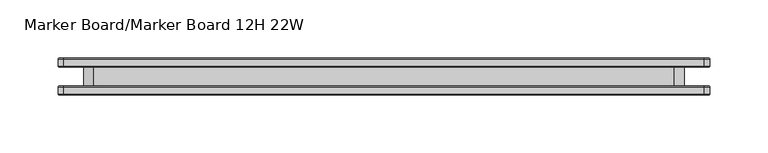
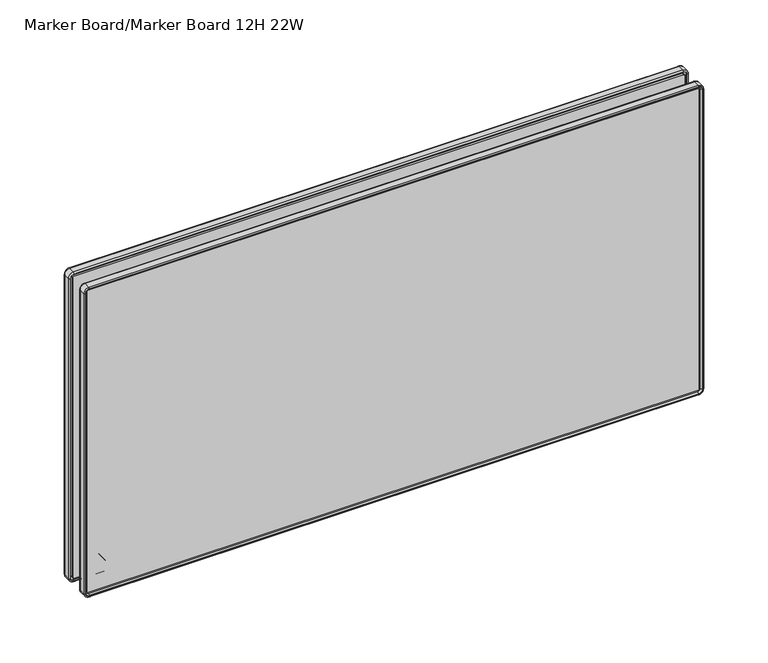
"""IFC4 building model written with IfcOpenShell, lengths in millimetres: furniture geometry, Marker Board/Marker Board 12H 22W."""

from ifc_helpers import new_model, si_unit, point, frame, frame_2d, origin, place, context, project, spatial, polyline, circle_curve, ellipse_curve, trimmed, segment, composite_curve, outline, extrude, source, transform, mapped, element, save
from ifc_brep_helpers import plane_surface, cylinder_surface, revolved_surface, advanced_brep


def marker_board_marker_board_12h_22w_8825d020(model_context):
    return source(origin(), model_context, "Body", "SolidModel", [
        extrude(outline(composite_curve([segment(trimmed(circle_curve(frame_2d((785.9258601, 60.6967824)), 14.2960031), [point((781.0834991, 47.2458625))], [point((772.4749402, 55.8544214))], False, "CARTESIAN"), True, "CONTINUOUS"), segment(polyline([(772.4749402, 55.8544214), (772.4749402, 553.7455786)]), True, "CONTINUOUS"), segment(trimmed(circle_curve(frame_2d((785.9258601, 548.9032176)), 14.2960031), [point((772.4749402, 553.7455786))], [point((780.5790258, 562.1616892))], False, "CARTESIAN"), True, "CONTINUOUS"), segment(polyline([(780.5790258, 562.1616892), (1019.5568063, 562.1616892)]), True, "CONTINUOUS"), segment(trimmed(circle_curve(frame_2d((1014.209972, 548.9032176)), 14.2960031), [point((1019.5568063, 562.1616892))], [point((1027.6608919, 553.7455786))], False, "CARTESIAN"), True, "CONTINUOUS"), segment(polyline([(1027.6608919, 553.7455786), (1027.6608919, 55.8544214)]), True, "CONTINUOUS"), segment(trimmed(circle_curve(frame_2d((1014.209972, 60.6967824)), 14.2960031), [point((1027.6608919, 55.8544214))], [point((1019.0523331, 47.2458625))], False, "CARTESIAN"), True, "CONTINUOUS"), segment(polyline([(1019.0523331, 47.2458625), (781.0834991, 47.2458625)]), True, "CONTINUOUS")], self_intersect=False)), frame((0.0, -7.9718968, 0.0), z_axis=(0.0, 1.0, 0.0), x_axis=(0.0, 0.0, 1.0)), (0.0, 0.0, 1.0), 15.9437935),
        extrude(outline(composite_curve([segment(trimmed(circle_curve(frame_2d((759.1475985, 29.8962491)), 0.8911416), [point((759.1475985, 29.0051075))], [point((758.256457, 29.8962491))], False, "CARTESIAN"), True, "CONTINUOUS"), segment(polyline([(758.256457, 29.8962491), (758.256457, 579.5091361)]), True, "CONTINUOUS"), segment(trimmed(circle_curve(frame_2d((759.1475985, 579.5091361)), 0.8911416), [point((758.256457, 579.5091361))], [point((759.1475985, 580.4002777))], False, "CARTESIAN"), True, "CONTINUOUS"), segment(polyline([(759.1475985, 580.4002777), (1045.010519, 580.4002777)]), True, "CONTINUOUS"), segment(trimmed(circle_curve(frame_2d((1045.010519, 579.5091361)), 0.8911416), [point((1045.010519, 580.4002777))], [point((1045.9016605, 579.5091361))], False, "CARTESIAN"), True, "CONTINUOUS"), segment(polyline([(1045.9016605, 579.5091361), (1045.9016605, 29.8962491)]), True, "CONTINUOUS"), segment(trimmed(circle_curve(frame_2d((1045.010519, 29.8962491)), 0.8911416), [point((1045.9016605, 29.8962491))], [point((1045.010519, 29.0051075))], False, "CARTESIAN"), True, "CONTINUOUS"), segment(polyline([(1045.010519, 29.0051075), (759.1475985, 29.0051075)]), True, "CONTINUOUS")], self_intersect=False)), frame((0.0, 7.9718968, 0.0), z_axis=(0.0, 1.0, 0.0), x_axis=(0.0, 0.0, 1.0)), (0.0, 0.0, 1.0), 6.1306313),
        extrude(outline(composite_curve([segment(polyline([(1045.010519, 29.0051075), (759.1475985, 29.0051075)]), True, "CONTINUOUS"), segment(trimmed(circle_curve(frame_2d((759.1475985, 29.8962491)), 0.8911416), [point((759.1475985, 29.0051075))], [point((758.256457, 29.8962491))], False, "CARTESIAN"), True, "CONTINUOUS"), segment(polyline([(758.256457, 29.8962491), (758.256457, 579.5091361)]), True, "CONTINUOUS"), segment(trimmed(circle_curve(frame_2d((759.1475985, 579.5091361)), 0.8911416), [point((758.256457, 579.5091361))], [point((759.1475985, 580.4002777))], False, "CARTESIAN"), True, "CONTINUOUS"), segment(polyline([(759.1475985, 580.4002777), (1045.010519, 580.4002777)]), True, "CONTINUOUS"), segment(trimmed(circle_curve(frame_2d((1045.010519, 579.5091361)), 0.8911416), [point((1045.010519, 580.4002777))], [point((1045.9016605, 579.5091361))], False, "CARTESIAN"), True, "CONTINUOUS"), segment(polyline([(1045.9016605, 579.5091361), (1045.9016605, 29.8962491)]), True, "CONTINUOUS"), segment(trimmed(circle_curve(frame_2d((1045.010519, 29.8962491)), 0.8911416), [point((1045.9016605, 29.8962491))], [point((1045.010519, 29.0051075))], False, "CARTESIAN"), True, "CONTINUOUS")], self_intersect=False)), frame((0.0, -14.102528, 0.0), z_axis=(0.0, 1.0, 0.0), x_axis=(0.0, 0.0, 1.0)), (0.0, 0.0, 1.0), 6.1306313),
        advanced_brep(
        [(582.9077917, -7.9718968, 759.1475985), (579.5091361, -7.9718968, 755.7489429), (579.5091361, -9.6721295, 755.7489429), (582.9077917, -9.6721295, 759.1475985), (584.0811361, -9.1452412, 759.1475985), (579.5091361, -9.1452412, 754.5755985), (584.0811361, -14.9826968, 759.1475985), (579.5091361, -14.9826968, 754.5755985), (583.2667038, -15.7971292, 759.1475985), (579.5091361, -15.7971292, 755.3900309), (580.4002777, -9.6721295, 759.1475985), (579.5091361, -9.6721295, 758.256457), (579.5091361, -14.102528, 758.256457), (580.4002777, -14.102528, 759.1475985), (582.9077917, -9.6721295, 1045.010519), (582.9077917, -7.9718968, 1045.010519), (584.0811361, -9.1452412, 1045.010519), (584.0811361, -14.9826968, 1045.010519), (583.2667038, -15.7971292, 1045.010519), (580.4002777, -14.102528, 1045.010519), (580.4002777, -9.6721295, 1045.010519), (579.5091361, -7.9718968, 1048.4091746), (579.5091361, -9.6721295, 1048.4091746), (579.5091361, -9.1452412, 1049.582519), (579.5091361, -14.9826968, 1049.582519), (579.5091361, -15.7971292, 1048.7680866), (579.5091361, -9.6721295, 1045.9016605), (579.5091361, -14.102528, 1045.9016605), (29.8962491, -9.6721295, 1048.4091746), (29.8962491, -7.9718968, 1048.4091746), (29.8962491, -9.1452412, 1049.582519), (29.8962491, -14.9826968, 1049.582519), (29.8962491, -15.7971292, 1048.7680866), (29.8962491, -14.102528, 1045.9016605), (29.8962491, -9.6721295, 1045.9016605), (26.4975935, -7.9718968, 1045.010519), (26.4975935, -9.6721295, 1045.010519), (25.3242491, -9.1452412, 1045.010519), (25.3242491, -14.9826968, 1045.010519), (26.1386815, -15.7971292, 1045.010519), (29.0051075, -9.6721295, 1045.010519), (29.0051075, -14.102528, 1045.010519), (26.4975935, -9.6721295, 759.1475985), (26.4975935, -7.9718968, 759.1475985), (25.3242491, -9.1452412, 759.1475985), (25.3242491, -14.9826968, 759.1475985), (26.1386815, -15.7971292, 759.1475985), (29.0051075, -14.102528, 759.1475985), (29.0051075, -9.6721295, 759.1475985), (29.8962491, -7.9718968, 755.7489429), (29.8962491, -9.6721295, 755.7489429), (29.8962491, -9.1452412, 754.5755985), (29.8962491, -14.9826968, 754.5755985), (29.8962491, -15.7971292, 755.3900309), (29.8962491, -9.6721295, 758.256457), (29.8962491, -14.102528, 758.256457), (579.5091361, -15.7971292, 756.2425504), (29.8962491, -15.7971292, 756.2425504), (26.991201, -15.7971292, 759.1475985), (26.991201, -15.7971292, 1045.010519), (29.8962491, -15.7971292, 1047.9155671), (579.5091361, -15.7971292, 1047.9155671), (582.4141842, -15.7971292, 1045.010519), (582.4141842, -15.7971292, 759.1475985), (581.7973998, -14.102528, 759.1475985), (579.5091361, -14.102528, 756.8593348), (581.7973998, -14.102528, 1045.010519), (579.5091361, -14.102528, 1047.2987827), (29.8962491, -14.102528, 1047.2987827), (27.6079854, -14.102528, 1045.010519), (27.6079854, -14.102528, 759.1475985), (29.8962491, -14.102528, 756.8593348)],
        [
            (0, 1, circle_curve(frame((579.5091361, -7.9718968, 759.1475985), z_axis=(0.0, 1.0, 0.0), x_axis=(0.0, 0.0, -1.0)), 3.3986556)),
            (1, 2),
            (2, 3, circle_curve(frame((579.5091361, -9.6721295, 759.1475985), z_axis=(0.0, -1.0, 0.0), x_axis=(0.0, 0.0, -1.0)), 3.3986556)),
            (3, 0),
            (4, 5, circle_curve(frame((579.5091361, -9.1452412, 759.1475985), z_axis=(0.0, 1.0, 0.0), x_axis=(0.0, 0.0, -1.0)), 4.572)),
            (5, 1, circle_curve(frame((579.5091361, -9.1452412, 755.7489429), z_axis=(1.0, 0.0, 0.0), x_axis=(0.0, 0.0, 1.0)), 1.1733444)),
            (0, 4, circle_curve(frame((582.9077917, -9.1452412, 759.1475985), z_axis=(0.0, 0.0, -1.0), x_axis=(-1.0, 0.0, 0.0)), 1.1733444)),
            (6, 7, circle_curve(frame((579.5091361, -14.9826968, 759.1475985), z_axis=(0.0, 1.0, 0.0), x_axis=(0.0, 0.0, -1.0)), 4.572)),
            (7, 5),
            (4, 6),
            (8, 9, circle_curve(frame((579.5091361, -15.7971292, 759.1475985), z_axis=(0.0, 1.0, 0.0), x_axis=(0.0, 0.0, -1.0)), 3.7575676)),
            (9, 7, circle_curve(frame((579.5091361, -14.9826968, 755.3900309), z_axis=(1.0, 0.0, 0.0), x_axis=(0.0, 0.0, 1.0)), 0.8144324)),
            (6, 8, circle_curve(frame((583.2667038, -14.9826968, 759.1475985), z_axis=(0.0, 0.0, -1.0), x_axis=(-1.0, 0.0, 0.0)), 0.8144324)),
            (10, 11, circle_curve(frame((579.5091361, -9.6721295, 759.1475985), z_axis=(0.0, 1.0, 0.0), x_axis=(0.0, 0.0, -1.0)), 0.8911416)),
            (11, 12),
            (12, 13, circle_curve(frame((579.5091361, -14.102528, 759.1475985), z_axis=(0.0, -1.0, 0.0), x_axis=(0.0, 0.0, -1.0)), 0.8911416)),
            (13, 10),
            (3, 14),
            (14, 15),
            (15, 0),
            (15, 16, circle_curve(frame((582.9077917, -9.1452412, 1045.010519), z_axis=(0.0, 0.0, -1.0), x_axis=(-1.0, 0.0, 0.0)), 1.1733444)),
            (16, 4),
            (16, 17),
            (17, 6),
            (17, 18, circle_curve(frame((583.2667038, -14.9826968, 1045.010519), z_axis=(0.0, 0.0, -1.0), x_axis=(-1.0, 0.0, 0.0)), 0.8144324)),
            (18, 8),
            (13, 19),
            (19, 20),
            (20, 10),
            (21, 15, circle_curve(frame((579.5091361, -7.9718968, 1045.010519), z_axis=(0.0, 1.0, 0.0), x_axis=(1.0, 0.0, 0.0)), 3.3986556)),
            (14, 22, circle_curve(frame((579.5091361, -9.6721295, 1045.010519), z_axis=(0.0, -1.0, 0.0), x_axis=(1.0, 0.0, 0.0)), 3.3986556)),
            (22, 21),
            (23, 16, circle_curve(frame((579.5091361, -9.1452412, 1045.010519), z_axis=(0.0, 1.0, 0.0), x_axis=(1.0, 0.0, 0.0)), 4.572)),
            (21, 23, circle_curve(frame((579.5091361, -9.1452412, 1048.4091746), z_axis=(1.0, 0.0, 0.0), x_axis=(0.0, 0.0, -1.0)), 1.1733444)),
            (24, 17, circle_curve(frame((579.5091361, -14.9826968, 1045.010519), z_axis=(0.0, 1.0, 0.0), x_axis=(1.0, 0.0, 0.0)), 4.572)),
            (23, 24),
            (25, 18, circle_curve(frame((579.5091361, -15.7971292, 1045.010519), z_axis=(0.0, 1.0, 0.0), x_axis=(1.0, 0.0, 0.0)), 3.7575676)),
            (24, 25, circle_curve(frame((579.5091361, -14.9826968, 1048.7680866), z_axis=(1.0, 0.0, 0.0), x_axis=(0.0, 0.0, -1.0)), 0.8144324)),
            (26, 20, circle_curve(frame((579.5091361, -9.6721295, 1045.010519), z_axis=(0.0, 1.0, 0.0), x_axis=(1.0, 0.0, 0.0)), 0.8911416)),
            (19, 27, circle_curve(frame((579.5091361, -14.102528, 1045.010519), z_axis=(0.0, -1.0, 0.0), x_axis=(1.0, 0.0, 0.0)), 0.8911416)),
            (27, 26),
            (22, 28),
            (28, 29),
            (29, 21),
            (29, 30, circle_curve(frame((29.8962491, -9.1452412, 1048.4091746), z_axis=(1.0, 0.0, 0.0), x_axis=(0.0, 0.0, -1.0)), 1.1733444)),
            (30, 23),
            (30, 31),
            (31, 24),
            (31, 32, circle_curve(frame((29.8962491, -14.9826968, 1048.7680866), z_axis=(1.0, 0.0, 0.0), x_axis=(0.0, 0.0, -1.0)), 0.8144324)),
            (32, 25),
            (27, 33),
            (33, 34),
            (34, 26),
            (35, 29, circle_curve(frame((29.8962491, -7.9718968, 1045.010519), z_axis=(0.0, 1.0, 0.0), x_axis=(0.0, 0.0, 1.0)), 3.3986556)),
            (28, 36, circle_curve(frame((29.8962491, -9.6721295, 1045.010519), z_axis=(0.0, -1.0, 0.0), x_axis=(0.0, 0.0, 1.0)), 3.3986556)),
            (36, 35),
            (37, 30, circle_curve(frame((29.8962491, -9.1452412, 1045.010519), z_axis=(0.0, 1.0, 0.0), x_axis=(0.0, 0.0, 1.0)), 4.572)),
            (35, 37, circle_curve(frame((26.4975935, -9.1452412, 1045.010519), z_axis=(0.0, 0.0, 1.0), x_axis=(1.0, 0.0, 0.0)), 1.1733444)),
            (38, 31, circle_curve(frame((29.8962491, -14.9826968, 1045.010519), z_axis=(0.0, 1.0, 0.0), x_axis=(0.0, 0.0, 1.0)), 4.572)),
            (37, 38),
            (39, 32, circle_curve(frame((29.8962491, -15.7971292, 1045.010519), z_axis=(0.0, 1.0, 0.0), x_axis=(0.0, 0.0, 1.0)), 3.7575676)),
            (38, 39, circle_curve(frame((26.1386815, -14.9826968, 1045.010519), z_axis=(0.0, 0.0, 1.0), x_axis=(1.0, 0.0, 0.0)), 0.8144324)),
            (40, 34, circle_curve(frame((29.8962491, -9.6721295, 1045.010519), z_axis=(0.0, 1.0, 0.0), x_axis=(0.0, 0.0, 1.0)), 0.8911416)),
            (33, 41, circle_curve(frame((29.8962491, -14.102528, 1045.010519), z_axis=(0.0, -1.0, 0.0), x_axis=(0.0, 0.0, 1.0)), 0.8911416)),
            (41, 40),
            (36, 42),
            (42, 43),
            (43, 35),
            (43, 44, circle_curve(frame((26.4975935, -9.1452412, 759.1475985), z_axis=(0.0, 0.0, 1.0), x_axis=(1.0, 0.0, 0.0)), 1.1733444)),
            (44, 37),
            (44, 45),
            (45, 38),
            (45, 46, circle_curve(frame((26.1386815, -14.9826968, 759.1475985), z_axis=(0.0, 0.0, 1.0), x_axis=(1.0, 0.0, 0.0)), 0.8144324)),
            (46, 39),
            (41, 47),
            (47, 48),
            (48, 40),
            (49, 43, circle_curve(frame((29.8962491, -7.9718968, 759.1475985), z_axis=(0.0, 1.0, 0.0), x_axis=(-1.0, 0.0, 0.0)), 3.3986556)),
            (42, 50, circle_curve(frame((29.8962491, -9.6721295, 759.1475985), z_axis=(0.0, -1.0, 0.0), x_axis=(-1.0, 0.0, 0.0)), 3.3986556)),
            (50, 49),
            (51, 44, circle_curve(frame((29.8962491, -9.1452412, 759.1475985), z_axis=(0.0, 1.0, 0.0), x_axis=(-1.0, 0.0, 0.0)), 4.572)),
            (49, 51, circle_curve(frame((29.8962491, -9.1452412, 755.7489429), z_axis=(-1.0, 0.0, 0.0), x_axis=(0.0, 0.0, 1.0)), 1.1733444)),
            (52, 45, circle_curve(frame((29.8962491, -14.9826968, 759.1475985), z_axis=(0.0, 1.0, 0.0), x_axis=(-1.0, 0.0, 0.0)), 4.572)),
            (51, 52),
            (53, 46, circle_curve(frame((29.8962491, -15.7971292, 759.1475985), z_axis=(0.0, 1.0, 0.0), x_axis=(-1.0, 0.0, 0.0)), 3.7575676)),
            (52, 53, circle_curve(frame((29.8962491, -14.9826968, 755.3900309), z_axis=(-1.0, 0.0, 0.0), x_axis=(0.0, 0.0, 1.0)), 0.8144324)),
            (54, 48, circle_curve(frame((29.8962491, -9.6721295, 759.1475985), z_axis=(0.0, 1.0, 0.0), x_axis=(-1.0, 0.0, 0.0)), 0.8911416)),
            (47, 55, circle_curve(frame((29.8962491, -14.102528, 759.1475985), z_axis=(0.0, -1.0, 0.0), x_axis=(-1.0, 0.0, 0.0)), 0.8911416)),
            (55, 54),
            (2, 50),
            (54, 11),
            (1, 49),
            (5, 51),
            (7, 52),
            (9, 53),
            (56, 57),
            (57, 58, circle_curve(frame((29.8962491, -15.7971292, 759.1475985), z_axis=(0.0, 1.0, 0.0), x_axis=(-1.0, 0.0, 0.0)), 2.9050481)),
            (58, 59),
            (59, 60, circle_curve(frame((29.8962491, -15.7971292, 1045.010519), z_axis=(0.0, 1.0, 0.0), x_axis=(0.0, 0.0, 1.0)), 2.9050481)),
            (60, 61),
            (61, 62, circle_curve(frame((579.5091361, -15.7971292, 1045.010519), z_axis=(0.0, 1.0, 0.0), x_axis=(1.0, 0.0, 0.0)), 2.9050481)),
            (62, 63),
            (63, 56, circle_curve(frame((579.5091361, -15.7971292, 759.1475985), z_axis=(0.0, 1.0, 0.0), x_axis=(0.0, 0.0, -1.0)), 2.9050481)),
            (55, 12),
            (64, 65, circle_curve(frame((579.5091361, -14.102528, 759.1475985), z_axis=(0.0, 1.0, 0.0), x_axis=(0.0, 0.0, -1.0)), 2.2882637)),
            (65, 56),
            (63, 64),
            (62, 66),
            (66, 64),
            (67, 66, circle_curve(frame((579.5091361, -14.102528, 1045.010519), z_axis=(0.0, 1.0, 0.0), x_axis=(1.0, 0.0, 0.0)), 2.2882637)),
            (61, 67),
            (60, 68),
            (68, 67),
            (69, 68, circle_curve(frame((29.8962491, -14.102528, 1045.010519), z_axis=(0.0, 1.0, 0.0), x_axis=(0.0, 0.0, 1.0)), 2.2882637)),
            (59, 69),
            (58, 70),
            (70, 69),
            (71, 70, circle_curve(frame((29.8962491, -14.102528, 759.1475985), z_axis=(0.0, 1.0, 0.0), x_axis=(-1.0, 0.0, 0.0)), 2.2882637)),
            (57, 71),
            (65, 71),
        ],
        [
            revolved_surface(polyline([(579.5091361, -9.6721295, 755.7489429), (579.5091361, -7.9718968, 755.7489429)]), (579.5091361, 0.0, 759.1475985), (0.0, -1.0, 0.0)),
            revolved_surface(trimmed(ellipse_curve(frame((579.5091361, -9.1452412, 755.7489429), z_axis=(-1.0, 0.0, 0.0), x_axis=(0.0, 0.0, 1.0)), 1.1733444, 1.1733444), [point((579.5091361, -7.9718968, 755.7489429))], [point((579.5091361, -9.1452412, 754.5755985))], True, "CARTESIAN"), (579.5091361, 0.0, 759.1475985), (0.0, -1.0, 0.0)),
            cylinder_surface(frame((579.5091361, 0.0, 759.1475985), z_axis=(0.0, -1.0, 0.0), x_axis=(0.0, 0.0, -1.0)), 4.572),
            revolved_surface(trimmed(ellipse_curve(frame((579.5091361, -14.9826968, 755.3900309), z_axis=(-1.0, 0.0, 0.0), x_axis=(0.0, 0.0, 1.0)), 0.8144324, 0.8144324), [point((579.5091361, -14.9826968, 754.5755985))], [point((579.5091361, -15.7971292, 755.3900309))], True, "CARTESIAN"), (579.5091361, 0.0, 759.1475985), (0.0, -1.0, 0.0)),
            revolved_surface(polyline([(579.5091361, -14.102528, 758.2564569), (579.5091361, -9.6721295, 758.2564569)]), (579.5091361, 0.0, 759.1475985), (0.0, -1.0, 0.0)),
            plane_surface(frame((582.9077917, -9.6721295, 759.1475985), z_axis=(-1.0, 0.0, 0.0), x_axis=(0.0, 0.0, 1.0))),
            cylinder_surface(frame((582.9077917, -9.1452412, 759.1475985), z_axis=(0.0, 0.0, -1.0), x_axis=(-1.0, 0.0, 0.0)), 1.1733444),
            plane_surface(frame((584.0811361, -9.1452412, 759.1475985), z_axis=(1.0, 0.0, 0.0), x_axis=(0.0, 0.0, 1.0))),
            cylinder_surface(frame((583.2667038, -14.9826968, 759.1475985), z_axis=(0.0, 0.0, -1.0), x_axis=(-1.0, 0.0, 0.0)), 0.8144324),
            plane_surface(frame((580.4002777, -14.102528, 759.1475985), z_axis=(-1.0, 0.0, 0.0), x_axis=(0.0, 0.0, 1.0))),
            revolved_surface(polyline([(582.9077917, -9.6721295, 1045.010519), (582.9077917, -7.9718968, 1045.010519)]), (579.5091361, 0.0, 1045.010519), (0.0, -1.0, 0.0)),
            revolved_surface(trimmed(ellipse_curve(frame((582.9077917, -9.1452412, 1045.010519), z_axis=(0.0, 0.0, -1.0), x_axis=(-1.0, 0.0, 0.0)), 1.1733444, 1.1733444), [point((582.9077917, -7.9718968, 1045.010519))], [point((584.0811361, -9.1452412, 1045.010519))], True, "CARTESIAN"), (579.5091361, 0.0, 1045.010519), (0.0, -1.0, 0.0)),
            cylinder_surface(frame((579.5091361, 0.0, 1045.010519), z_axis=(0.0, -1.0, 0.0), x_axis=(1.0, 0.0, 0.0)), 4.572),
            revolved_surface(trimmed(ellipse_curve(frame((583.2667038, -14.9826968, 1045.010519), z_axis=(0.0, 0.0, -1.0), x_axis=(-1.0, 0.0, 0.0)), 0.8144324, 0.8144324), [point((584.0811361, -14.9826968, 1045.010519))], [point((583.2667038, -15.7971292, 1045.010519))], True, "CARTESIAN"), (579.5091361, 0.0, 1045.010519), (0.0, -1.0, 0.0)),
            revolved_surface(polyline([(580.4002777, -14.102528, 1045.010519), (580.4002777, -9.6721295, 1045.010519)]), (579.5091361, 0.0, 1045.010519), (0.0, -1.0, 0.0)),
            plane_surface(frame((579.5091361, -9.6721295, 1048.4091746), z_axis=(0.0, 0.0, -1.0), x_axis=(-1.0, 0.0, 0.0))),
            cylinder_surface(frame((579.5091361, -9.1452412, 1048.4091746), z_axis=(1.0, 0.0, 0.0), x_axis=(0.0, 0.0, -1.0)), 1.1733444),
            plane_surface(frame((579.5091361, -9.1452412, 1049.582519), z_axis=(0.0, 0.0, 1.0), x_axis=(-1.0, 0.0, 0.0))),
            cylinder_surface(frame((579.5091361, -14.9826968, 1048.7680866), z_axis=(1.0, 0.0, 0.0), x_axis=(0.0, 0.0, -1.0)), 0.8144324),
            plane_surface(frame((579.5091361, -14.102528, 1045.9016605), z_axis=(0.0, 0.0, -1.0), x_axis=(-1.0, 0.0, 0.0))),
            revolved_surface(polyline([(29.8962491, -9.6721295, 1048.4091746), (29.8962491, -7.9718968, 1048.4091746)]), (29.8962491, 0.0, 1045.010519), (0.0, -1.0, 0.0)),
            revolved_surface(trimmed(ellipse_curve(frame((29.8962491, -9.1452412, 1048.4091746), z_axis=(1.0, 0.0, 0.0), x_axis=(0.0, 0.0, -1.0)), 1.1733444, 1.1733444), [point((29.8962491, -7.9718968, 1048.4091746))], [point((29.8962491, -9.1452412, 1049.582519))], True, "CARTESIAN"), (29.8962491, 0.0, 1045.010519), (0.0, -1.0, 0.0)),
            cylinder_surface(frame((29.8962491, 0.0, 1045.010519), z_axis=(0.0, -1.0, 0.0), x_axis=(0.0, 0.0, 1.0)), 4.572),
            revolved_surface(trimmed(ellipse_curve(frame((29.8962491, -14.9826968, 1048.7680866), z_axis=(1.0, 0.0, 0.0), x_axis=(0.0, 0.0, -1.0)), 0.8144324, 0.8144324), [point((29.8962491, -14.9826968, 1049.582519))], [point((29.8962491, -15.7971292, 1048.7680866))], True, "CARTESIAN"), (29.8962491, 0.0, 1045.010519), (0.0, -1.0, 0.0)),
            revolved_surface(polyline([(29.8962491, -14.102528, 1045.9016606), (29.8962491, -9.6721295, 1045.9016606)]), (29.8962491, 0.0, 1045.010519), (0.0, -1.0, 0.0)),
            plane_surface(frame((26.4975935, -9.6721295, 1045.010519), z_axis=(1.0, 0.0, 0.0), x_axis=(0.0, 0.0, -1.0))),
            cylinder_surface(frame((26.4975935, -9.1452412, 1045.010519), z_axis=(0.0, 0.0, 1.0), x_axis=(1.0, 0.0, 0.0)), 1.1733444),
            plane_surface(frame((25.3242491, -9.1452412, 1045.010519), z_axis=(-1.0, 0.0, 0.0), x_axis=(0.0, 0.0, -1.0))),
            cylinder_surface(frame((26.1386815, -14.9826968, 1045.010519), z_axis=(0.0, 0.0, 1.0), x_axis=(1.0, 0.0, 0.0)), 0.8144324),
            plane_surface(frame((29.0051075, -14.102528, 1045.010519), z_axis=(1.0, 0.0, 0.0), x_axis=(0.0, 0.0, -1.0))),
            revolved_surface(polyline([(26.497593499999997, -9.6721295, 759.1475985), (26.497593499999997, -7.9718968, 759.1475985)]), (29.8962491, 0.0, 759.1475985), (0.0, -1.0, 0.0)),
            revolved_surface(trimmed(ellipse_curve(frame((26.4975935, -9.1452412, 759.1475985), z_axis=(0.0, 0.0, 1.0), x_axis=(1.0, 0.0, 0.0)), 1.1733444, 1.1733444), [point((26.4975935, -7.9718968, 759.1475985))], [point((25.3242491, -9.1452412, 759.1475985))], True, "CARTESIAN"), (29.8962491, 0.0, 759.1475985), (0.0, -1.0, 0.0)),
            cylinder_surface(frame((29.8962491, 0.0, 759.1475985), z_axis=(0.0, -1.0, 0.0), x_axis=(-1.0, 0.0, 0.0)), 4.572),
            revolved_surface(trimmed(ellipse_curve(frame((26.1386815, -14.9826968, 759.1475985), z_axis=(0.0, 0.0, 1.0), x_axis=(1.0, 0.0, 0.0)), 0.8144324, 0.8144324), [point((25.3242491, -14.9826968, 759.1475985))], [point((26.1386815, -15.7971292, 759.1475985))], True, "CARTESIAN"), (29.8962491, 0.0, 759.1475985), (0.0, -1.0, 0.0)),
            revolved_surface(polyline([(29.005107499999998, -14.102528, 759.1475985), (29.005107499999998, -9.6721295, 759.1475985)]), (29.8962491, 0.0, 759.1475985), (0.0, -1.0, 0.0)),
            plane_surface(frame((29.8962491, -9.6721295, 758.256457), z_axis=(0.0, 1.0, 0.0), x_axis=(1.0, 0.0, 0.0))),
            plane_surface(frame((29.8962491, -9.6721295, 755.7489429), z_axis=(0.0, 0.0, 1.0), x_axis=(1.0, 0.0, 0.0))),
            cylinder_surface(frame((29.8962491, -9.1452412, 755.7489429), z_axis=(-1.0, 0.0, 0.0), x_axis=(0.0, 0.0, 1.0)), 1.1733444),
            plane_surface(frame((29.8962491, -9.1452412, 754.5755985), z_axis=(0.0, 0.0, -1.0), x_axis=(1.0, 0.0, 0.0))),
            cylinder_surface(frame((29.8962491, -14.9826968, 755.3900309), z_axis=(-1.0, 0.0, 0.0), x_axis=(0.0, 0.0, 1.0)), 0.8144324),
            plane_surface(frame((29.8962491, -15.7971292, 755.3900309), z_axis=(0.0, -1.0, 0.0), x_axis=(1.0, 0.0, 0.0))),
            plane_surface(frame((29.8962491, -14.102528, 758.256457), z_axis=(0.0, 0.0, 1.0), x_axis=(1.0, 0.0, 0.0))),
            revolved_surface(polyline([(579.5091361, -15.7971292, 756.2425504), (579.5091361, -14.102528, 756.8593348)]), (579.5091361, 0.0, 759.1475985), (0.0, -1.0, 0.0)),
            plane_surface(frame((582.4141842, -15.7971292, 759.1475985), z_axis=(-0.9396926207859183, -0.34202014332564146, 0.0), x_axis=(0.0, 0.0, 1.0))),
            revolved_surface(polyline([(582.4141842, -15.7971292, 1045.010519), (581.7973998, -14.102528, 1045.010519)]), (579.5091361, 0.0, 1045.010519), (0.0, -1.0, 0.0)),
            plane_surface(frame((579.5091361, -15.7971292, 1047.9155671), z_axis=(0.0, -0.34202014332564146, -0.9396926207859183), x_axis=(-1.0, 0.0, 0.0))),
            revolved_surface(polyline([(29.8962491, -15.7971292, 1047.9155671), (29.8962491, -14.102528, 1047.2987827)]), (29.8962491, 0.0, 1045.010519), (0.0, -1.0, 0.0)),
            plane_surface(frame((26.991201, -15.7971292, 1045.010519), z_axis=(0.9396926207859183, -0.34202014332564146, 0.0), x_axis=(0.0, 0.0, -1.0))),
            revolved_surface(polyline([(26.991201, -15.7971292, 759.1475985), (27.6079854, -14.102528, 759.1475985)]), (29.8962491, 0.0, 759.1475985), (0.0, -1.0, 0.0)),
            plane_surface(frame((29.8962491, -15.7971292, 756.2425504), z_axis=(0.0, -0.34202014332564146, 0.9396926207859183), x_axis=(1.0, 0.0, 0.0))),
            plane_surface(frame((29.8962491, -14.102528, 756.8593348), z_axis=(0.0, -1.0, 0.0), x_axis=(1.0, 0.0, 0.0))),
        ],
        [
            (0, [[1, 2, 3, 4]]),
            (1, [[5, 6, -1, 7]]),
            (2, [[8, 9, -5, 10]]),
            (3, [[11, 12, -8, 13]]),
            (4, [[14, 15, 16, 17]]),
            (5, [[-4, 18, 19, 20]]),
            (6, [[-7, -20, 21, 22]]),
            (7, [[-10, -22, 23, 24]]),
            (8, [[-13, -24, 25, 26]]),
            (9, [[-17, 27, 28, 29]]),
            (10, [[30, -19, 31, 32]]),
            (11, [[33, -21, -30, 34]]),
            (12, [[35, -23, -33, 36]]),
            (13, [[37, -25, -35, 38]]),
            (14, [[39, -28, 40, 41]]),
            (15, [[-32, 42, 43, 44]]),
            (16, [[-34, -44, 45, 46]]),
            (17, [[-36, -46, 47, 48]]),
            (18, [[-38, -48, 49, 50]]),
            (19, [[-41, 51, 52, 53]]),
            (20, [[54, -43, 55, 56]]),
            (21, [[57, -45, -54, 58]]),
            (22, [[59, -47, -57, 60]]),
            (23, [[61, -49, -59, 62]]),
            (24, [[63, -52, 64, 65]]),
            (25, [[-56, 66, 67, 68]]),
            (26, [[-58, -68, 69, 70]]),
            (27, [[-60, -70, 71, 72]]),
            (28, [[-62, -72, 73, 74]]),
            (29, [[-65, 75, 76, 77]]),
            (30, [[78, -67, 79, 80]]),
            (31, [[81, -69, -78, 82]]),
            (32, [[83, -71, -81, 84]]),
            (33, [[85, -73, -83, 86]]),
            (34, [[87, -76, 88, 89]]),
            (35, [[90, -79, -66, -55, -42, -31, -18, -3], [-77, -87, 91, -14, -29, -39, -53, -63]]),
            (36, [[-80, -90, -2, 92]]),
            (37, [[-82, -92, -6, 93]]),
            (38, [[-84, -93, -9, 94]]),
            (39, [[-86, -94, -12, 95]]),
            (40, [[-74, -85, -95, -11, -26, -37, -50, -61], [96, 97, 98, 99, 100, 101, 102, 103]]),
            (41, [[-89, 104, -15, -91]]),
            (42, [[105, 106, -103, 107]]),
            (43, [[-107, -102, 108, 109]]),
            (44, [[110, -108, -101, 111]]),
            (45, [[-111, -100, 112, 113]]),
            (46, [[114, -112, -99, 115]]),
            (47, [[-115, -98, 116, 117]]),
            (48, [[118, -116, -97, 119]]),
            (49, [[-119, -96, -106, 120]]),
            (50, [[-117, -118, -120, -105, -109, -110, -113, -114], [-104, -88, -75, -64, -51, -40, -27, -16]]),
        ],
    ),
        advanced_brep(
        [(580.4002777, 14.102528, 759.1475985), (579.5091361, 14.102528, 758.256457), (579.5091361, 9.6721295, 758.256457), (580.4002777, 9.6721295, 759.1475985), (582.4141842, 15.7971292, 759.1475985), (579.5091361, 15.7971292, 756.2425504), (579.5091361, 14.102528, 756.8593348), (581.7973998, 14.102528, 759.1475985), (584.0811361, 14.9826968, 759.1475985), (579.5091361, 14.9826968, 754.5755985), (579.5091361, 15.7971292, 755.3900309), (583.2667038, 15.7971292, 759.1475985), (584.0811361, 9.1452412, 759.1475985), (579.5091361, 9.1452412, 754.5755985), (582.9077917, 7.9718968, 759.1475985), (579.5091361, 7.9718968, 755.7489429), (582.9077917, 9.6721295, 759.1475985), (579.5091361, 9.6721295, 755.7489429), (580.4002777, 9.6721295, 1045.010519), (580.4002777, 14.102528, 1045.010519), (581.7973998, 14.102528, 1045.010519), (582.4141842, 15.7971292, 1045.010519), (583.2667038, 15.7971292, 1045.010519), (584.0811361, 14.9826968, 1045.010519), (584.0811361, 9.1452412, 1045.010519), (582.9077917, 7.9718968, 1045.010519), (582.9077917, 9.6721295, 1045.010519), (579.5091361, 14.102528, 1045.9016605), (579.5091361, 9.6721295, 1045.9016605), (579.5091361, 15.7971292, 1047.9155671), (579.5091361, 14.102528, 1047.2987827), (579.5091361, 14.9826968, 1049.582519), (579.5091361, 15.7971292, 1048.7680866), (579.5091361, 9.1452412, 1049.582519), (579.5091361, 7.9718968, 1048.4091746), (579.5091361, 9.6721295, 1048.4091746), (29.8962491, 9.6721295, 1045.9016605), (29.8962491, 14.102528, 1045.9016605), (29.8962491, 14.102528, 1047.2987827), (29.8962491, 15.7971292, 1047.9155671), (29.8962491, 15.7971292, 1048.7680866), (29.8962491, 14.9826968, 1049.582519), (29.8962491, 9.1452412, 1049.582519), (29.8962491, 7.9718968, 1048.4091746), (29.8962491, 9.6721295, 1048.4091746), (29.0051075, 14.102528, 1045.010519), (29.0051075, 9.6721295, 1045.010519), (26.991201, 15.7971292, 1045.010519), (27.6079854, 14.102528, 1045.010519), (25.3242491, 14.9826968, 1045.010519), (26.1386815, 15.7971292, 1045.010519), (25.3242491, 9.1452412, 1045.010519), (26.4975935, 7.9718968, 1045.010519), (26.4975935, 9.6721295, 1045.010519), (29.0051075, 9.6721295, 759.1475985), (29.0051075, 14.102528, 759.1475985), (27.6079854, 14.102528, 759.1475985), (26.991201, 15.7971292, 759.1475985), (26.1386815, 15.7971292, 759.1475985), (25.3242491, 14.9826968, 759.1475985), (25.3242491, 9.1452412, 759.1475985), (26.4975935, 7.9718968, 759.1475985), (26.4975935, 9.6721295, 759.1475985), (29.8962491, 14.102528, 758.256457), (29.8962491, 9.6721295, 758.256457), (29.8962491, 15.7971292, 756.2425504), (29.8962491, 14.102528, 756.8593348), (29.8962491, 14.9826968, 754.5755985), (29.8962491, 15.7971292, 755.3900309), (29.8962491, 9.1452412, 754.5755985), (29.8962491, 7.9718968, 755.7489429), (29.8962491, 9.6721295, 755.7489429)],
        [
            (0, 1, circle_curve(frame((579.5091361, 14.102528, 759.1475985), z_axis=(0.0, 1.0, 0.0), x_axis=(0.0, 0.0, -1.0)), 0.8911416)),
            (1, 2),
            (2, 3, circle_curve(frame((579.5091361, 9.6721295, 759.1475985), z_axis=(0.0, -1.0, 0.0), x_axis=(0.0, 0.0, -1.0)), 0.8911416)),
            (3, 0),
            (4, 5, circle_curve(frame((579.5091361, 15.7971292, 759.1475985), z_axis=(0.0, 1.0, 0.0), x_axis=(0.0, 0.0, -1.0)), 2.9050481)),
            (5, 6),
            (6, 7, circle_curve(frame((579.5091361, 14.102528, 759.1475985), z_axis=(0.0, -1.0, 0.0), x_axis=(0.0, 0.0, -1.0)), 2.2882637)),
            (7, 4),
            (8, 9, circle_curve(frame((579.5091361, 14.9826968, 759.1475985), z_axis=(0.0, 1.0, 0.0), x_axis=(0.0, 0.0, -1.0)), 4.572)),
            (9, 10, circle_curve(frame((579.5091361, 14.9826968, 755.3900309), z_axis=(1.0, 0.0, 0.0), x_axis=(0.0, 0.0, 1.0)), 0.8144324)),
            (10, 11, circle_curve(frame((579.5091361, 15.7971292, 759.1475985), z_axis=(0.0, -1.0, 0.0), x_axis=(0.0, 0.0, -1.0)), 3.7575676)),
            (11, 8, circle_curve(frame((583.2667038, 14.9826968, 759.1475985), z_axis=(0.0, 0.0, -1.0), x_axis=(-1.0, 0.0, 0.0)), 0.8144324)),
            (12, 13, circle_curve(frame((579.5091361, 9.1452412, 759.1475985), z_axis=(0.0, 1.0, 0.0), x_axis=(0.0, 0.0, -1.0)), 4.572)),
            (13, 9),
            (8, 12),
            (14, 15, circle_curve(frame((579.5091361, 7.9718968, 759.1475985), z_axis=(0.0, 1.0, 0.0), x_axis=(0.0, 0.0, -1.0)), 3.3986556)),
            (15, 13, circle_curve(frame((579.5091361, 9.1452412, 755.7489429), z_axis=(1.0, 0.0, 0.0), x_axis=(0.0, 0.0, 1.0)), 1.1733444)),
            (12, 14, circle_curve(frame((582.9077917, 9.1452412, 759.1475985), z_axis=(0.0, 0.0, -1.0), x_axis=(-1.0, 0.0, 0.0)), 1.1733444)),
            (16, 17, circle_curve(frame((579.5091361, 9.6721295, 759.1475985), z_axis=(0.0, 1.0, 0.0), x_axis=(0.0, 0.0, -1.0)), 3.3986556)),
            (17, 15),
            (14, 16),
            (3, 18),
            (18, 19),
            (19, 0),
            (7, 20),
            (20, 21),
            (21, 4),
            (11, 22),
            (22, 23, circle_curve(frame((583.2667038, 14.9826968, 1045.010519), z_axis=(0.0, 0.0, -1.0), x_axis=(-1.0, 0.0, 0.0)), 0.8144324)),
            (23, 8),
            (23, 24),
            (24, 12),
            (24, 25, circle_curve(frame((582.9077917, 9.1452412, 1045.010519), z_axis=(0.0, 0.0, -1.0), x_axis=(-1.0, 0.0, 0.0)), 1.1733444)),
            (25, 14),
            (25, 26),
            (26, 16),
            (27, 19, circle_curve(frame((579.5091361, 14.102528, 1045.010519), z_axis=(0.0, 1.0, 0.0), x_axis=(1.0, 0.0, 0.0)), 0.8911416)),
            (18, 28, circle_curve(frame((579.5091361, 9.6721295, 1045.010519), z_axis=(0.0, -1.0, 0.0), x_axis=(1.0, 0.0, 0.0)), 0.8911416)),
            (28, 27),
            (29, 21, circle_curve(frame((579.5091361, 15.7971292, 1045.010519), z_axis=(0.0, 1.0, 0.0), x_axis=(1.0, 0.0, 0.0)), 2.9050481)),
            (20, 30, circle_curve(frame((579.5091361, 14.102528, 1045.010519), z_axis=(0.0, -1.0, 0.0), x_axis=(1.0, 0.0, 0.0)), 2.2882637)),
            (30, 29),
            (31, 23, circle_curve(frame((579.5091361, 14.9826968, 1045.010519), z_axis=(0.0, 1.0, 0.0), x_axis=(1.0, 0.0, 0.0)), 4.572)),
            (22, 32, circle_curve(frame((579.5091361, 15.7971292, 1045.010519), z_axis=(0.0, -1.0, 0.0), x_axis=(1.0, 0.0, 0.0)), 3.7575676)),
            (32, 31, circle_curve(frame((579.5091361, 14.9826968, 1048.7680866), z_axis=(1.0, 0.0, 0.0), x_axis=(0.0, 0.0, -1.0)), 0.8144324)),
            (33, 24, circle_curve(frame((579.5091361, 9.1452412, 1045.010519), z_axis=(0.0, 1.0, 0.0), x_axis=(1.0, 0.0, 0.0)), 4.572)),
            (31, 33),
            (34, 25, circle_curve(frame((579.5091361, 7.9718968, 1045.010519), z_axis=(0.0, 1.0, 0.0), x_axis=(1.0, 0.0, 0.0)), 3.3986556)),
            (33, 34, circle_curve(frame((579.5091361, 9.1452412, 1048.4091746), z_axis=(1.0, 0.0, 0.0), x_axis=(0.0, 0.0, -1.0)), 1.1733444)),
            (35, 26, circle_curve(frame((579.5091361, 9.6721295, 1045.010519), z_axis=(0.0, 1.0, 0.0), x_axis=(1.0, 0.0, 0.0)), 3.3986556)),
            (34, 35),
            (28, 36),
            (36, 37),
            (37, 27),
            (30, 38),
            (38, 39),
            (39, 29),
            (32, 40),
            (40, 41, circle_curve(frame((29.8962491, 14.9826968, 1048.7680866), z_axis=(1.0, 0.0, 0.0), x_axis=(0.0, 0.0, -1.0)), 0.8144324)),
            (41, 31),
            (41, 42),
            (42, 33),
            (42, 43, circle_curve(frame((29.8962491, 9.1452412, 1048.4091746), z_axis=(1.0, 0.0, 0.0), x_axis=(0.0, 0.0, -1.0)), 1.1733444)),
            (43, 34),
            (43, 44),
            (44, 35),
            (45, 37, circle_curve(frame((29.8962491, 14.102528, 1045.010519), z_axis=(0.0, 1.0, 0.0), x_axis=(0.0, 0.0, 1.0)), 0.8911416)),
            (36, 46, circle_curve(frame((29.8962491, 9.6721295, 1045.010519), z_axis=(0.0, -1.0, 0.0), x_axis=(0.0, 0.0, 1.0)), 0.8911416)),
            (46, 45),
            (47, 39, circle_curve(frame((29.8962491, 15.7971292, 1045.010519), z_axis=(0.0, 1.0, 0.0), x_axis=(0.0, 0.0, 1.0)), 2.9050481)),
            (38, 48, circle_curve(frame((29.8962491, 14.102528, 1045.010519), z_axis=(0.0, -1.0, 0.0), x_axis=(0.0, 0.0, 1.0)), 2.2882637)),
            (48, 47),
            (49, 41, circle_curve(frame((29.8962491, 14.9826968, 1045.010519), z_axis=(0.0, 1.0, 0.0), x_axis=(0.0, 0.0, 1.0)), 4.572)),
            (40, 50, circle_curve(frame((29.8962491, 15.7971292, 1045.010519), z_axis=(0.0, -1.0, 0.0), x_axis=(0.0, 0.0, 1.0)), 3.7575676)),
            (50, 49, circle_curve(frame((26.1386815, 14.9826968, 1045.010519), z_axis=(0.0, 0.0, 1.0), x_axis=(1.0, 0.0, 0.0)), 0.8144324)),
            (51, 42, circle_curve(frame((29.8962491, 9.1452412, 1045.010519), z_axis=(0.0, 1.0, 0.0), x_axis=(0.0, 0.0, 1.0)), 4.572)),
            (49, 51),
            (52, 43, circle_curve(frame((29.8962491, 7.9718968, 1045.010519), z_axis=(0.0, 1.0, 0.0), x_axis=(0.0, 0.0, 1.0)), 3.3986556)),
            (51, 52, circle_curve(frame((26.4975935, 9.1452412, 1045.010519), z_axis=(0.0, 0.0, 1.0), x_axis=(1.0, 0.0, 0.0)), 1.1733444)),
            (53, 44, circle_curve(frame((29.8962491, 9.6721295, 1045.010519), z_axis=(0.0, 1.0, 0.0), x_axis=(0.0, 0.0, 1.0)), 3.3986556)),
            (52, 53),
            (46, 54),
            (54, 55),
            (55, 45),
            (48, 56),
            (56, 57),
            (57, 47),
            (50, 58),
            (58, 59, circle_curve(frame((26.1386815, 14.9826968, 759.1475985), z_axis=(0.0, 0.0, 1.0), x_axis=(1.0, 0.0, 0.0)), 0.8144324)),
            (59, 49),
            (59, 60),
            (60, 51),
            (60, 61, circle_curve(frame((26.4975935, 9.1452412, 759.1475985), z_axis=(0.0, 0.0, 1.0), x_axis=(1.0, 0.0, 0.0)), 1.1733444)),
            (61, 52),
            (61, 62),
            (62, 53),
            (63, 55, circle_curve(frame((29.8962491, 14.102528, 759.1475985), z_axis=(0.0, 1.0, 0.0), x_axis=(-1.0, 0.0, 0.0)), 0.8911416)),
            (54, 64, circle_curve(frame((29.8962491, 9.6721295, 759.1475985), z_axis=(0.0, -1.0, 0.0), x_axis=(-1.0, 0.0, 0.0)), 0.8911416)),
            (64, 63),
            (65, 57, circle_curve(frame((29.8962491, 15.7971292, 759.1475985), z_axis=(0.0, 1.0, 0.0), x_axis=(-1.0, 0.0, 0.0)), 2.9050481)),
            (56, 66, circle_curve(frame((29.8962491, 14.102528, 759.1475985), z_axis=(0.0, -1.0, 0.0), x_axis=(-1.0, 0.0, 0.0)), 2.2882637)),
            (66, 65),
            (67, 59, circle_curve(frame((29.8962491, 14.9826968, 759.1475985), z_axis=(0.0, 1.0, 0.0), x_axis=(-1.0, 0.0, 0.0)), 4.572)),
            (58, 68, circle_curve(frame((29.8962491, 15.7971292, 759.1475985), z_axis=(0.0, -1.0, 0.0), x_axis=(-1.0, 0.0, 0.0)), 3.7575676)),
            (68, 67, circle_curve(frame((29.8962491, 14.9826968, 755.3900309), z_axis=(-1.0, 0.0, 0.0), x_axis=(0.0, 0.0, 1.0)), 0.8144324)),
            (69, 60, circle_curve(frame((29.8962491, 9.1452412, 759.1475985), z_axis=(0.0, 1.0, 0.0), x_axis=(-1.0, 0.0, 0.0)), 4.572)),
            (67, 69),
            (70, 61, circle_curve(frame((29.8962491, 7.9718968, 759.1475985), z_axis=(0.0, 1.0, 0.0), x_axis=(-1.0, 0.0, 0.0)), 3.3986556)),
            (69, 70, circle_curve(frame((29.8962491, 9.1452412, 755.7489429), z_axis=(-1.0, 0.0, 0.0), x_axis=(0.0, 0.0, 1.0)), 1.1733444)),
            (71, 62, circle_curve(frame((29.8962491, 9.6721295, 759.1475985), z_axis=(0.0, 1.0, 0.0), x_axis=(-1.0, 0.0, 0.0)), 3.3986556)),
            (70, 71),
            (64, 2),
            (1, 63),
            (6, 66),
            (5, 65),
            (10, 68),
            (9, 67),
            (13, 69),
            (15, 70),
            (17, 71),
        ],
        [
            revolved_surface(polyline([(579.5091361, 9.6721295, 758.2564569), (579.5091361, 14.102528, 758.2564569)]), (579.5091361, 0.0, 759.1475985), (0.0, -1.0, 0.0)),
            revolved_surface(polyline([(579.5091361, 14.102528, 756.8593348), (579.5091361, 15.7971292, 756.2425504)]), (579.5091361, 0.0, 759.1475985), (0.0, -1.0, 0.0)),
            revolved_surface(trimmed(ellipse_curve(frame((579.5091361, 14.9826968, 755.3900309), z_axis=(-1.0, 0.0, 0.0), x_axis=(0.0, 0.0, 1.0)), 0.8144324, 0.8144324), [point((579.5091361, 15.7971292, 755.3900309))], [point((579.5091361, 14.9826968, 754.5755985))], True, "CARTESIAN"), (579.5091361, 0.0, 759.1475985), (0.0, -1.0, 0.0)),
            cylinder_surface(frame((579.5091361, 0.0, 759.1475985), z_axis=(0.0, -1.0, 0.0), x_axis=(0.0, 0.0, -1.0)), 4.572),
            revolved_surface(trimmed(ellipse_curve(frame((579.5091361, 9.1452412, 755.7489429), z_axis=(-1.0, 0.0, 0.0), x_axis=(0.0, 0.0, 1.0)), 1.1733444, 1.1733444), [point((579.5091361, 9.1452412, 754.5755985))], [point((579.5091361, 7.9718968, 755.7489429))], True, "CARTESIAN"), (579.5091361, 0.0, 759.1475985), (0.0, -1.0, 0.0)),
            revolved_surface(polyline([(579.5091361, 7.9718968, 755.7489429), (579.5091361, 9.6721295, 755.7489429)]), (579.5091361, 0.0, 759.1475985), (0.0, -1.0, 0.0)),
            plane_surface(frame((580.4002777, 9.6721295, 759.1475985), z_axis=(-1.0, 0.0, 0.0), x_axis=(0.0, 0.0, 1.0))),
            plane_surface(frame((581.7973998, 14.102528, 759.1475985), z_axis=(-0.9396926207859183, 0.34202014332564146, 0.0), x_axis=(0.0, 0.0, 1.0))),
            cylinder_surface(frame((583.2667038, 14.9826968, 759.1475985), z_axis=(0.0, 0.0, -1.0), x_axis=(-1.0, 0.0, 0.0)), 0.8144324),
            plane_surface(frame((584.0811361, 14.9826968, 759.1475985), z_axis=(1.0, 0.0, 0.0), x_axis=(0.0, 0.0, 1.0))),
            cylinder_surface(frame((582.9077917, 9.1452412, 759.1475985), z_axis=(0.0, 0.0, -1.0), x_axis=(-1.0, 0.0, 0.0)), 1.1733444),
            plane_surface(frame((582.9077917, 7.9718968, 759.1475985), z_axis=(-1.0, 0.0, 0.0), x_axis=(0.0, 0.0, 1.0))),
            revolved_surface(polyline([(580.4002777, 9.6721295, 1045.010519), (580.4002777, 14.102528, 1045.010519)]), (579.5091361, 0.0, 1045.010519), (0.0, -1.0, 0.0)),
            revolved_surface(polyline([(581.7973998, 14.102528, 1045.010519), (582.4141842, 15.7971292, 1045.010519)]), (579.5091361, 0.0, 1045.010519), (0.0, -1.0, 0.0)),
            revolved_surface(trimmed(ellipse_curve(frame((583.2667038, 14.9826968, 1045.010519), z_axis=(0.0, 0.0, -1.0), x_axis=(-1.0, 0.0, 0.0)), 0.8144324, 0.8144324), [point((583.2667038, 15.7971292, 1045.010519))], [point((584.0811361, 14.9826968, 1045.010519))], True, "CARTESIAN"), (579.5091361, 0.0, 1045.010519), (0.0, -1.0, 0.0)),
            cylinder_surface(frame((579.5091361, 0.0, 1045.010519), z_axis=(0.0, -1.0, 0.0), x_axis=(1.0, 0.0, 0.0)), 4.572),
            revolved_surface(trimmed(ellipse_curve(frame((582.9077917, 9.1452412, 1045.010519), z_axis=(0.0, 0.0, -1.0), x_axis=(-1.0, 0.0, 0.0)), 1.1733444, 1.1733444), [point((584.0811361, 9.1452412, 1045.010519))], [point((582.9077917, 7.9718968, 1045.010519))], True, "CARTESIAN"), (579.5091361, 0.0, 1045.010519), (0.0, -1.0, 0.0)),
            revolved_surface(polyline([(582.9077917, 7.9718968, 1045.010519), (582.9077917, 9.6721295, 1045.010519)]), (579.5091361, 0.0, 1045.010519), (0.0, -1.0, 0.0)),
            plane_surface(frame((579.5091361, 9.6721295, 1045.9016605), z_axis=(0.0, 0.0, -1.0), x_axis=(-1.0, 0.0, 0.0))),
            plane_surface(frame((579.5091361, 14.102528, 1047.2987827), z_axis=(0.0, 0.34202014332564146, -0.9396926207859183), x_axis=(-1.0, 0.0, 0.0))),
            cylinder_surface(frame((579.5091361, 14.9826968, 1048.7680866), z_axis=(1.0, 0.0, 0.0), x_axis=(0.0, 0.0, -1.0)), 0.8144324),
            plane_surface(frame((579.5091361, 14.9826968, 1049.582519), z_axis=(0.0, 0.0, 1.0), x_axis=(-1.0, 0.0, 0.0))),
            cylinder_surface(frame((579.5091361, 9.1452412, 1048.4091746), z_axis=(1.0, 0.0, 0.0), x_axis=(0.0, 0.0, -1.0)), 1.1733444),
            plane_surface(frame((579.5091361, 7.9718968, 1048.4091746), z_axis=(0.0, 0.0, -1.0), x_axis=(-1.0, 0.0, 0.0))),
            revolved_surface(polyline([(29.8962491, 9.6721295, 1045.9016606), (29.8962491, 14.102528, 1045.9016606)]), (29.8962491, 0.0, 1045.010519), (0.0, -1.0, 0.0)),
            revolved_surface(polyline([(29.8962491, 14.102528, 1047.2987827), (29.8962491, 15.7971292, 1047.9155671)]), (29.8962491, 0.0, 1045.010519), (0.0, -1.0, 0.0)),
            revolved_surface(trimmed(ellipse_curve(frame((29.8962491, 14.9826968, 1048.7680866), z_axis=(1.0, 0.0, 0.0), x_axis=(0.0, 0.0, -1.0)), 0.8144324, 0.8144324), [point((29.8962491, 15.7971292, 1048.7680866))], [point((29.8962491, 14.9826968, 1049.582519))], True, "CARTESIAN"), (29.8962491, 0.0, 1045.010519), (0.0, -1.0, 0.0)),
            cylinder_surface(frame((29.8962491, 0.0, 1045.010519), z_axis=(0.0, -1.0, 0.0), x_axis=(0.0, 0.0, 1.0)), 4.572),
            revolved_surface(trimmed(ellipse_curve(frame((29.8962491, 9.1452412, 1048.4091746), z_axis=(1.0, 0.0, 0.0), x_axis=(0.0, 0.0, -1.0)), 1.1733444, 1.1733444), [point((29.8962491, 9.1452412, 1049.582519))], [point((29.8962491, 7.9718968, 1048.4091746))], True, "CARTESIAN"), (29.8962491, 0.0, 1045.010519), (0.0, -1.0, 0.0)),
            revolved_surface(polyline([(29.8962491, 7.9718968, 1048.4091746), (29.8962491, 9.6721295, 1048.4091746)]), (29.8962491, 0.0, 1045.010519), (0.0, -1.0, 0.0)),
            plane_surface(frame((29.0051075, 9.6721295, 1045.010519), z_axis=(1.0, 0.0, 0.0), x_axis=(0.0, 0.0, -1.0))),
            plane_surface(frame((27.6079854, 14.102528, 1045.010519), z_axis=(0.9396926207859183, 0.34202014332564146, 0.0), x_axis=(0.0, 0.0, -1.0))),
            cylinder_surface(frame((26.1386815, 14.9826968, 1045.010519), z_axis=(0.0, 0.0, 1.0), x_axis=(1.0, 0.0, 0.0)), 0.8144324),
            plane_surface(frame((25.3242491, 14.9826968, 1045.010519), z_axis=(-1.0, 0.0, 0.0), x_axis=(0.0, 0.0, -1.0))),
            cylinder_surface(frame((26.4975935, 9.1452412, 1045.010519), z_axis=(0.0, 0.0, 1.0), x_axis=(1.0, 0.0, 0.0)), 1.1733444),
            plane_surface(frame((26.4975935, 7.9718968, 1045.010519), z_axis=(1.0, 0.0, 0.0), x_axis=(0.0, 0.0, -1.0))),
            revolved_surface(polyline([(29.005107499999998, 9.6721295, 759.1475985), (29.005107499999998, 14.102528, 759.1475985)]), (29.8962491, 0.0, 759.1475985), (0.0, -1.0, 0.0)),
            revolved_surface(polyline([(27.6079854, 14.102528, 759.1475985), (26.991201, 15.7971292, 759.1475985)]), (29.8962491, 0.0, 759.1475985), (0.0, -1.0, 0.0)),
            revolved_surface(trimmed(ellipse_curve(frame((26.1386815, 14.9826968, 759.1475985), z_axis=(0.0, 0.0, 1.0), x_axis=(1.0, 0.0, 0.0)), 0.8144324, 0.8144324), [point((26.1386815, 15.7971292, 759.1475985))], [point((25.3242491, 14.9826968, 759.1475985))], True, "CARTESIAN"), (29.8962491, 0.0, 759.1475985), (0.0, -1.0, 0.0)),
            cylinder_surface(frame((29.8962491, 0.0, 759.1475985), z_axis=(0.0, -1.0, 0.0), x_axis=(-1.0, 0.0, 0.0)), 4.572),
            revolved_surface(trimmed(ellipse_curve(frame((26.4975935, 9.1452412, 759.1475985), z_axis=(0.0, 0.0, 1.0), x_axis=(1.0, 0.0, 0.0)), 1.1733444, 1.1733444), [point((25.3242491, 9.1452412, 759.1475985))], [point((26.4975935, 7.9718968, 759.1475985))], True, "CARTESIAN"), (29.8962491, 0.0, 759.1475985), (0.0, -1.0, 0.0)),
            revolved_surface(polyline([(26.497593499999997, 7.9718968, 759.1475985), (26.497593499999997, 9.6721295, 759.1475985)]), (29.8962491, 0.0, 759.1475985), (0.0, -1.0, 0.0)),
            plane_surface(frame((29.8962491, 9.6721295, 758.256457), z_axis=(0.0, 0.0, 1.0), x_axis=(1.0, 0.0, 0.0))),
            plane_surface(frame((29.8962491, 14.102528, 758.256457), z_axis=(0.0, 1.0, 0.0), x_axis=(1.0, 0.0, 0.0))),
            plane_surface(frame((29.8962491, 14.102528, 756.8593348), z_axis=(0.0, 0.34202014332564146, 0.9396926207859183), x_axis=(1.0, 0.0, 0.0))),
            plane_surface(frame((29.8962491, 15.7971292, 756.2425504), z_axis=(0.0, 1.0, 0.0), x_axis=(1.0, 0.0, 0.0))),
            cylinder_surface(frame((29.8962491, 14.9826968, 755.3900309), z_axis=(-1.0, 0.0, 0.0), x_axis=(0.0, 0.0, 1.0)), 0.8144324),
            plane_surface(frame((29.8962491, 14.9826968, 754.5755985), z_axis=(0.0, 0.0, -1.0), x_axis=(1.0, 0.0, 0.0))),
            cylinder_surface(frame((29.8962491, 9.1452412, 755.7489429), z_axis=(-1.0, 0.0, 0.0), x_axis=(0.0, 0.0, 1.0)), 1.1733444),
            plane_surface(frame((29.8962491, 7.9718968, 755.7489429), z_axis=(0.0, 0.0, 1.0), x_axis=(1.0, 0.0, 0.0))),
            plane_surface(frame((29.8962491, 9.6721295, 755.7489429), z_axis=(0.0, -1.0, 0.0), x_axis=(1.0, 0.0, 0.0))),
        ],
        [
            (0, [[1, 2, 3, 4]]),
            (1, [[5, 6, 7, 8]]),
            (2, [[9, 10, 11, 12]]),
            (3, [[13, 14, -9, 15]]),
            (4, [[16, 17, -13, 18]]),
            (5, [[19, 20, -16, 21]]),
            (6, [[-4, 22, 23, 24]]),
            (7, [[-8, 25, 26, 27]]),
            (8, [[-12, 28, 29, 30]]),
            (9, [[-15, -30, 31, 32]]),
            (10, [[-18, -32, 33, 34]]),
            (11, [[-21, -34, 35, 36]]),
            (12, [[37, -23, 38, 39]]),
            (13, [[40, -26, 41, 42]]),
            (14, [[43, -29, 44, 45]]),
            (15, [[46, -31, -43, 47]]),
            (16, [[48, -33, -46, 49]]),
            (17, [[50, -35, -48, 51]]),
            (18, [[-39, 52, 53, 54]]),
            (19, [[-42, 55, 56, 57]]),
            (20, [[-45, 58, 59, 60]]),
            (21, [[-47, -60, 61, 62]]),
            (22, [[-49, -62, 63, 64]]),
            (23, [[-51, -64, 65, 66]]),
            (24, [[67, -53, 68, 69]]),
            (25, [[70, -56, 71, 72]]),
            (26, [[73, -59, 74, 75]]),
            (27, [[76, -61, -73, 77]]),
            (28, [[78, -63, -76, 79]]),
            (29, [[80, -65, -78, 81]]),
            (30, [[-69, 82, 83, 84]]),
            (31, [[-72, 85, 86, 87]]),
            (32, [[-75, 88, 89, 90]]),
            (33, [[-77, -90, 91, 92]]),
            (34, [[-79, -92, 93, 94]]),
            (35, [[-81, -94, 95, 96]]),
            (36, [[97, -83, 98, 99]]),
            (37, [[100, -86, 101, 102]]),
            (38, [[103, -89, 104, 105]]),
            (39, [[106, -91, -103, 107]]),
            (40, [[108, -93, -106, 109]]),
            (41, [[110, -95, -108, 111]]),
            (42, [[-99, 112, -2, 113]]),
            (43, [[114, -101, -85, -71, -55, -41, -25, -7], [-84, -97, -113, -1, -24, -37, -54, -67]]),
            (44, [[-102, -114, -6, 115]]),
            (45, [[116, -104, -88, -74, -58, -44, -28, -11], [-87, -100, -115, -5, -27, -40, -57, -70]]),
            (46, [[-105, -116, -10, 117]]),
            (47, [[-107, -117, -14, 118]]),
            (48, [[-109, -118, -17, 119]]),
            (49, [[-111, -119, -20, 120]]),
            (50, [[-96, -110, -120, -19, -36, -50, -66, -80], [-112, -98, -82, -68, -52, -38, -22, -3]]),
        ],
    ),
    ])


if __name__ == "__main__":
    model = new_model("IFC4")
    model_context = context("Model", 3, world=origin())
    ifc_project = project(units=[si_unit("LENGTHUNIT", "METRE", prefix="MILLI")], contexts=[model_context])
    site = spatial("IfcSite", under=ifc_project)
    building = spatial("IfcBuilding", under=site)
    placement = place(None, origin())
    marker_board_marker_board_12h_22w_shape = marker_board_marker_board_12h_22w_8825d020(model_context)
    element("IfcFurniture", 1, ObjectType="Marker Board/Marker Board 12H 22W", at=placement, inside=building, context=model_context, shape_type="MappedRepresentation", body=[
        mapped(marker_board_marker_board_12h_22w_shape, transform((0.0, 0.0, 0.0), x_axis=(1.0, 0.0, 0.0), y_axis=(0.0, 1.0, 0.0), z_axis=(0.0, 0.0, 1.0))),
    ])
    save(model, "model.ifc")
